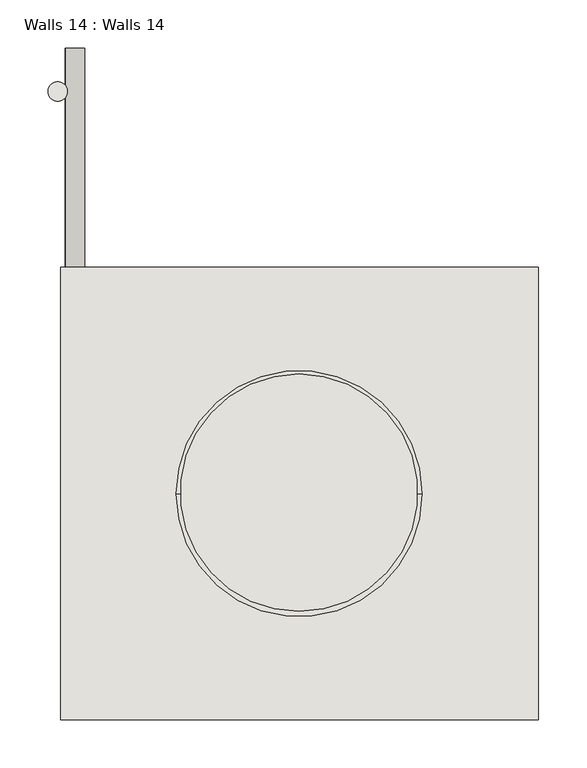
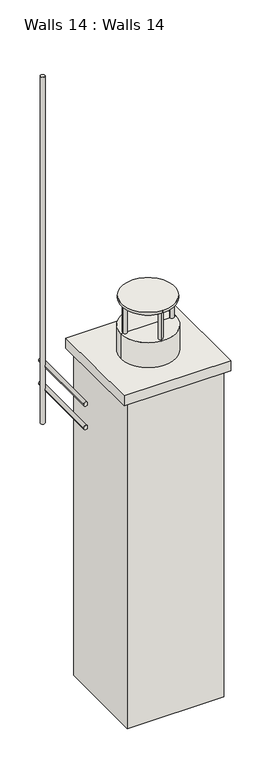
"""IFC4 building model written with IfcOpenShell, lengths in millimetres: wall geometry, Walls 14 : Walls 14."""

from ifc_helpers import new_model, si_unit, point, frame, frame_2d, origin, place, context, project, spatial, polyline, circle_curve, trimmed, segment, composite_curve, outline, extrude, source, transform, mapped, element, save
from ifc_brep_helpers import plane_surface, cylinder_surface, advanced_brep


def walls_14_walls_14_d59cb479(model_context):
    return source(origin(), model_context, "Body", "SolidModel", [
        extrude(outline(composite_curve([segment(trimmed(circle_curve(frame_2d((-40776.0103144, 48726.1192946)), 10.0), [point((-40786.0103144, 48726.1192946))], [point((-40766.0103144, 48726.1192946))], False, "CARTESIAN"), True, "CONTINUOUS"), segment(trimmed(circle_curve(frame_2d((-40776.0103144, 48726.1192946)), 10.0), [point((-40766.0103144, 48726.1192946))], [point((-40786.0103144, 48726.1192946))], False, "CARTESIAN"), True, "CONTINUOUS")], self_intersect=False)), frame((0.0, 0.0, 115417.4079307), z_axis=(0.0, 0.0, 1.0), x_axis=(1.0, 0.0, 0.0)), (0.0, 0.0, 1.0), 1709.9399152),
        extrude(outline(composite_curve([segment(trimmed(circle_curve(frame_2d((115694.9767194, -40757.9254613)), 10.0), [point((115694.9767194, -40747.9254613))], [point((115694.9767194, -40767.9254613))], False, "CARTESIAN"), True, "CONTINUOUS"), segment(trimmed(circle_curve(frame_2d((115694.9767194, -40757.9254613)), 10.0), [point((115694.9767194, -40767.9254613))], [point((115694.9767194, -40747.9254613))], False, "CARTESIAN"), True, "CONTINUOUS")], self_intersect=False)), frame((0.0, 48409.6336927, 0.0), z_axis=(0.0, 1.0, 0.0), x_axis=(0.0, 0.0, 1.0)), (0.0, 0.0, 1.0), 361.5290176),
        extrude(outline(composite_curve([segment(trimmed(circle_curve(frame_2d((115579.7040519, -40758.2631445)), 10.0), [point((115579.7040519, -40748.2631445))], [point((115579.7040519, -40768.2631445))], False, "CARTESIAN"), True, "CONTINUOUS"), segment(trimmed(circle_curve(frame_2d((115579.7040519, -40758.2631445)), 10.0), [point((115579.7040519, -40768.2631445))], [point((115579.7040519, -40748.2631445))], False, "CARTESIAN"), True, "CONTINUOUS")], self_intersect=False)), frame((0.0, 48409.6336927, 0.0), z_axis=(0.0, 1.0, 0.0), x_axis=(0.0, 0.0, 1.0)), (0.0, 0.0, 1.0), 361.5290176),
        extrude(outline(composite_curve([segment(trimmed(circle_curve(frame_2d((-40525.0549328, 48309.3895923)), 123.3421824), [point((-40525.0549328, 48186.0474099))], [point((-40525.0549328, 48432.7317747))], False, "CARTESIAN"), True, "CONTINUOUS"), segment(trimmed(circle_curve(frame_2d((-40525.0549328, 48309.3895923)), 123.3421824), [point((-40525.0549328, 48432.7317747))], [point((-40525.0549328, 48186.0474099))], False, "CARTESIAN"), True, "CONTINUOUS")], self_intersect=False)), frame((0.0, 0.0, 116198.9138493), z_axis=(0.0, 0.0, 1.0), x_axis=(1.0, 0.0, 0.0)), (0.0, 0.0, 1.0), 13.0962291),
        extrude(outline(composite_curve([segment(trimmed(circle_curve(frame_2d((-40529.4157896, 48418.1144464)), 10.0), [point((-40529.4157896, 48408.1144464))], [point((-40529.4157896, 48428.1144464))], False, "CARTESIAN"), True, "CONTINUOUS"), segment(trimmed(circle_curve(frame_2d((-40529.4157896, 48418.1144464)), 10.0), [point((-40529.4157896, 48428.1144464))], [point((-40529.4157896, 48408.1144464))], False, "CARTESIAN"), True, "CONTINUOUS")], self_intersect=False)), frame((0.0, 0.0, 116066.3455574), z_axis=(0.0, 0.0, 1.0), x_axis=(1.0, 0.0, 0.0)), (0.0, 0.0, 1.0), 139.4268122),
        extrude(outline(composite_curve([segment(trimmed(circle_curve(frame_2d((-40530.1864787, 48199.2387327)), 10.0), [point((-40530.1864787, 48189.2387327))], [point((-40530.1864787, 48209.2387327))], False, "CARTESIAN"), True, "CONTINUOUS"), segment(trimmed(circle_curve(frame_2d((-40530.1864787, 48199.2387327)), 10.0), [point((-40530.1864787, 48209.2387327))], [point((-40530.1864787, 48189.2387327))], False, "CARTESIAN"), True, "CONTINUOUS")], self_intersect=False)), frame((0.0, 0.0, 116066.3455574), z_axis=(0.0, 0.0, 1.0), x_axis=(1.0, 0.0, 0.0)), (0.0, 0.0, 1.0), 139.4268122),
        extrude(outline(composite_curve([segment(trimmed(circle_curve(frame_2d((-40633.2407972, 48308.291245)), 10.0), [point((-40623.2407972, 48308.291245))], [point((-40643.2407972, 48308.291245))], False, "CARTESIAN"), True, "CONTINUOUS"), segment(trimmed(circle_curve(frame_2d((-40633.2407972, 48308.291245)), 10.0), [point((-40643.2407972, 48308.291245))], [point((-40623.2407972, 48308.291245))], False, "CARTESIAN"), True, "CONTINUOUS")], self_intersect=False)), frame((0.0, 0.0, 116066.3455574), z_axis=(0.0, 0.0, 1.0), x_axis=(1.0, 0.0, 0.0)), (0.0, 0.0, 1.0), 139.4268122),
        extrude(outline(composite_curve([segment(trimmed(circle_curve(frame_2d((-40414.3650835, 48307.5205559)), 10.0), [point((-40404.3650835, 48307.5205559))], [point((-40424.3650835, 48307.5205559))], False, "CARTESIAN"), True, "CONTINUOUS"), segment(trimmed(circle_curve(frame_2d((-40414.3650835, 48307.5205559)), 10.0), [point((-40424.3650835, 48307.5205559))], [point((-40404.3650835, 48307.5205559))], False, "CARTESIAN"), True, "CONTINUOUS")], self_intersect=False)), frame((0.0, 0.0, 116066.3455574), z_axis=(0.0, 0.0, 1.0), x_axis=(1.0, 0.0, 0.0)), (0.0, 0.0, 1.0), 139.4268122),
        advanced_brep(
        [(-40397.2314966, 48308.3648128, 116066.3455574), (-40652.7540565, 48308.3648128, 116066.3455574), (-40524.9927765, 48308.3648128, 116066.3455574), (-40397.2314966, 48308.3648128, 115928.035181), (-40652.7540565, 48308.3648128, 115928.035181), (-40524.9927765, 48308.3648128, 115928.035181)],
        [
            (0, 1, circle_curve(frame((-40524.9927765, 48308.3648128, 116066.3455574), z_axis=(0.0, 0.0, 1.0), x_axis=(-1.0, 0.0, 0.0)), 127.76128)),
            (1, 2),
            (2, 0),
            (1, 0, circle_curve(frame((-40524.9927765, 48308.3648128, 116066.3455574), z_axis=(0.0, 0.0, 1.0), x_axis=(-1.0, 0.0, 0.0)), 127.76128)),
            (3, 4, circle_curve(frame((-40524.9927765, 48308.3648128, 115928.035181), z_axis=(0.0, 0.0, 1.0), x_axis=(-1.0, 0.0, 0.0)), 127.76128)),
            (4, 1),
            (0, 3),
            (4, 3, circle_curve(frame((-40524.9927765, 48308.3648128, 115928.035181), z_axis=(0.0, 0.0, 1.0), x_axis=(-1.0, 0.0, 0.0)), 127.76128)),
            (5, 4),
            (3, 5),
        ],
        [
            plane_surface(frame((-40524.9927765, 48308.3648128, 116066.3455574), z_axis=(0.0, 0.0, 1.0), x_axis=(-1.0, 0.0, 0.0))),
            cylinder_surface(frame((-40524.9927765, 48308.3648128, 116066.3455574), z_axis=(0.0, 0.0, -1.0), x_axis=(-1.0, 0.0, 0.0)), 127.76128),
            plane_surface(frame((-40524.9927765, 48308.3648128, 115928.035181), z_axis=(0.0, 0.0, -1.0), x_axis=(-1.0, 0.0, 0.0))),
        ],
        [
            (0, [[1, 2, 3]]),
            (0, [[4, -3, -2]]),
            (1, [[5, 6, -1, 7]]),
            (1, [[8, -7, -4, -6]]),
            (2, [[9, -5, 10]]),
            (2, [[-10, -8, -9]]),
        ],
    ),
        extrude(outline(polyline([(-40275.9319541, 48073.5609199), (-40772.6758409, 48073.5609199), (-40772.6758409, 48543.8025829), (-40275.9319541, 48543.8025829), (-40275.9319541, 48073.5609199)])), frame((0.0, 0.0, 115895.2628867), z_axis=(0.0, 0.0, 1.0), x_axis=(1.0, 0.0, 0.0)), (0.0, 0.0, 1.0), 48.5229956),
        extrude(outline(polyline([(-40300.6164427, 48088.3648128), (-40749.7239723, 48088.3648128), (-40749.7239723, 48521.1627103), (-40300.6164427, 48521.1627103), (-40300.6164427, 48088.3648128)])), frame((0.0, 0.0, 114286.2783928), z_axis=(0.0, 0.0, 1.0), x_axis=(1.0, 0.0, 0.0)), (0.0, 0.0, 1.0), 1615.8477504),
    ])


if __name__ == "__main__":
    model = new_model("IFC4")
    model_context = context("Model", 3, world=origin())
    ifc_project = project(units=[si_unit("LENGTHUNIT", "METRE", prefix="MILLI")], contexts=[model_context])
    site = spatial("IfcSite", under=ifc_project)
    building = spatial("IfcBuilding", under=site)
    placement = place(None, origin())
    walls_14_walls_14_shape = walls_14_walls_14_d59cb479(model_context)
    element("IfcWall", 1, ObjectType="Walls 14 : Walls 14", at=placement, inside=building, context=model_context, shape_type="MappedRepresentation", body=[
        mapped(walls_14_walls_14_shape, transform((0.0, 0.0, 0.0), x_axis=(1.0, 0.0, 0.0), y_axis=(0.0, 1.0, 0.0), z_axis=(0.0, 0.0, 1.0))),
    ])
    save(model, "model.ifc")
